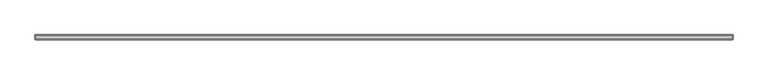
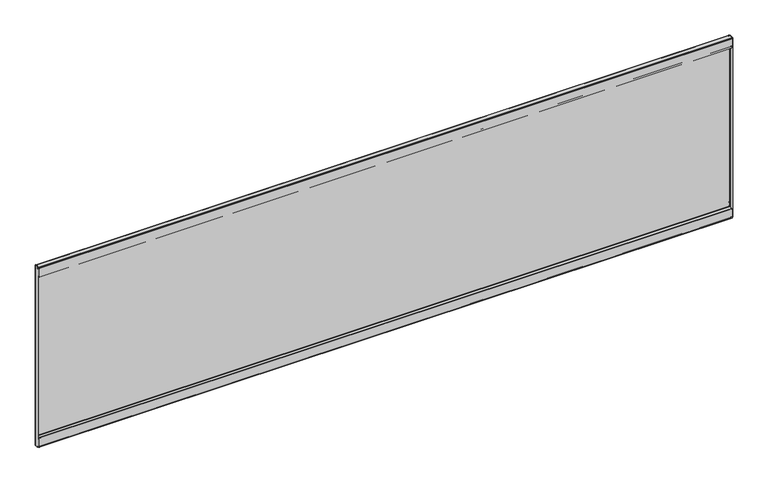
"""IFC4 building model written with IfcOpenShell, lengths in millimetres: furniture geometry."""

from ifc_helpers import new_model, si_unit, origin, place, context, project, spatial, triangles, source, transform, mapped, element, save


def furniture_dc20cf0f(model_context):
    return source(origin(), model_context, "Body", "Tessellation", [
        triangles([(36.8807998, -16.4083996, 220.7005912), (36.8807998, -15.6717996, 220.7005912), (36.1188005, -15.6717996, 220.4964249), (36.1188005, -16.4083996, 220.4964249), (35.5609767, -15.6717996, 219.9385919), (35.5609767, -16.4083996, 219.9385919), (35.356799, -15.6717996, 219.1765926), (35.356799, -16.4083996, 219.1765926), (35.356799, -16.4083996, 208.7372044), (35.356799, -15.6717996, 208.7372044), (35.356799, -15.8691713, 208.0006033), (35.356799, -16.5070854, 208.3688948), (35.356799, -16.4083996, 207.4613739), (35.356799, -16.7767001, 208.0992891), (35.356799, -17.1449995, 208.0006033), (35.356799, -17.1449995, 207.2640022), (1793.4940155, -15.6717996, 208.7372044), (1793.4940155, -15.8691713, 208.0006033), (1793.4940155, -16.4083996, 207.4613739), (1793.4940155, -17.1449995, 207.2640022), (1791.9699806, -16.4083996, 220.7005912), (1791.9699806, -15.6717996, 220.7005912), (1792.7319981, -15.6717996, 220.4964249), (1792.7319981, -16.4083996, 220.4964249), (1793.2898129, -15.6717996, 219.9385919), (1793.2898129, -16.4083996, 219.9385919), (1793.4940155, -15.6717996, 219.1765926), (1793.4940155, -16.4083996, 219.1765926), (1793.4940155, -16.4083996, 208.7372044), (1793.4940155, -16.5070854, 208.3688948), (1793.4940155, -16.7767001, 208.0992891), (1793.4940155, -17.1449995, 208.0006033), (35.356799, -25.4253989, 208.0006033), (35.356799, -25.4253989, 207.2640022), (35.356799, -25.7936995, 207.1653163), (35.356799, -26.162, 207.8032316), (35.356799, -26.0633142, 206.8956925), (35.356799, -26.7012295, 207.2640022), (35.356799, -26.162, 206.5274011), (35.356799, -26.8985989, 206.5274011), (1793.4940155, -25.4253989, 207.2640022), (1793.4940155, -25.7936995, 207.1653163), (1793.4940155, -26.0633142, 206.8956925), (1793.4940155, -26.162, 206.5274011), (1793.4940155, -25.4253989, 208.0006033), (1793.4940155, -26.162, 207.8032316), (1793.4940155, -26.7012295, 207.2640022), (1793.4940155, -26.8985989, 206.5274011), (35.356799, -26.162, 186.613791), (35.356799, -26.8985989, 186.613791), (35.356799, -26.7012295, 185.877208), (35.356799, -26.0633142, 186.2454995), (35.356799, -26.162, 185.3379786), (35.356799, -25.7936995, 185.9758939), (35.356799, -25.4253989, 185.1406069), (35.356799, -25.4253989, 185.877208), (1793.4940155, -26.8985989, 186.613791), (1793.4940155, -26.7012295, 185.877208), (1793.4940155, -26.162, 185.3379786), (1793.4940155, -25.4253989, 185.1406069), (1793.4940155, -26.162, 186.613791), (1793.4940155, -26.0633142, 186.2454995), (1793.4940155, -25.7936995, 185.9758939), (1793.4940155, -25.4253989, 185.877208), (35.356799, -16.4083996, 186.613791), (35.356799, -15.6717996, 186.613791), (35.356799, -15.8691713, 185.877208), (35.356799, -16.5070854, 186.2454995), (35.356799, -16.4083996, 185.3379786), (35.356799, -16.7767001, 185.9758939), (35.356799, -17.1449995, 185.877208), (35.356799, -17.1449995, 185.1406069), (1793.4940155, -15.6717996, 186.613791), (1793.4940155, -15.8691713, 185.877208), (1793.4940155, -16.4083996, 185.3379786), (1793.4940155, -17.1449995, 185.1406069), (1793.4940155, -16.4083996, 186.613791), (1793.4940155, -16.5070854, 186.2454995), (1793.4940155, -16.7767001, 185.9758939), (1793.4940155, -17.1449995, 185.877208), (35.356799, -16.4083996, 193.1416084), (35.356799, -15.6717996, 193.1416084), (35.5609767, -15.6717996, 193.9036077), (35.5609767, -16.4083996, 193.9036077), (36.1188005, -15.6717996, 194.4614224), (36.1188005, -16.4083996, 194.4614224), (36.8807998, -15.6717996, 194.6656069), (36.8807998, -16.4083996, 194.6656069), (1793.4940155, -16.4083996, 193.1416084), (1793.2898129, -16.4083996, 193.9036077), (1792.7319981, -16.4083996, 194.4614224), (1791.9699806, -16.4083996, 194.6656069), (1793.4940155, -15.6717996, 193.1416084), (1793.2898129, -15.6717996, 193.9036077), (1792.7319981, -15.6717996, 194.4614224), (1791.9699806, -15.6717996, 194.6656069), (36.1188005, -16.4083996, 630.9115625), (36.1188005, -15.6717996, 630.9115625), (36.8807998, -15.6717996, 630.7074326), (36.8807998, -16.4083996, 630.7074326), (35.5609767, -16.4083996, 631.4693773), (35.5609767, -15.6717996, 631.4693773), (35.356799, -16.4083996, 632.2313948), (35.356799, -15.6717996, 632.2313948), (35.356799, -16.5070854, 643.0390926), (35.356799, -15.8691713, 643.4073841), (35.356799, -16.4083996, 642.6708012), (35.356799, -15.6717996, 642.6708012), (35.356799, -16.7767001, 643.3086983), (35.356799, -16.4083996, 643.9465954), (35.356799, -17.1449995, 643.4073841), (35.356799, -17.1449995, 644.1439671), (1793.4940155, -15.8691713, 643.4073841), (1793.4940155, -15.6717996, 642.6708012), (1793.4940155, -16.4083996, 643.9465954), (1793.4940155, -17.1449995, 644.1439671), (1792.7319981, -16.4083996, 630.9115625), (1792.7319981, -15.6717996, 630.9115625), (1791.9699806, -15.6717996, 630.7074326), (1791.9699806, -16.4083996, 630.7074326), (1793.2898129, -16.4083996, 631.4693773), (1793.2898129, -15.6717996, 631.4693773), (1793.4940155, -16.4083996, 632.2313948), (1793.4940155, -15.6717996, 632.2313948), (1793.4940155, -16.5070854, 643.0390926), (1793.4940155, -16.4083996, 642.6708012), (1793.4940155, -16.7767001, 643.3086983), (1793.4940155, -17.1449995, 643.4073841), (35.356799, -26.162, 643.6047558), (35.356799, -25.7936995, 644.2426529), (35.356799, -25.4253989, 644.1439671), (35.356799, -25.4253989, 643.4073841), (35.356799, -26.7012295, 644.1439671), (35.356799, -26.0633142, 644.5123312), (35.356799, -26.8985989, 644.8806227), (35.356799, -26.162, 644.8806227), (1793.4940155, -25.7936995, 644.2426529), (1793.4940155, -25.4253989, 644.1439671), (1793.4940155, -26.0633142, 644.5123312), (1793.4940155, -26.162, 644.8806227), (1793.4940155, -26.162, 643.6047558), (1793.4940155, -25.4253989, 643.4073841), (1793.4940155, -26.7012295, 644.1439671), (1793.4940155, -26.8985989, 644.8806227), (35.356799, -26.0633142, 665.1625242), (35.356799, -26.7012295, 665.5308157), (35.356799, -26.162, 664.7942327), (35.356799, -26.8985989, 664.7942327), (35.356799, -25.7936995, 665.4321299), (35.356799, -26.162, 666.070027), (35.356799, -25.4253989, 665.5308157), (35.356799, -25.4253989, 666.2673986), (1793.4940155, -26.7012295, 665.5308157), (1793.4940155, -26.8985989, 664.7942327), (1793.4940155, -26.162, 666.070027), (1793.4940155, -25.4253989, 666.2673986), (1793.4940155, -26.0633142, 665.1625242), (1793.4940155, -26.162, 664.7942327), (1793.4940155, -25.7936995, 665.4321299), (1793.4940155, -25.4253989, 665.5308157), (35.356799, -16.5070854, 665.1625242), (35.356799, -15.8691713, 665.5308157), (35.356799, -16.4083996, 664.7942327), (35.356799, -15.6717996, 664.7942327), (35.356799, -16.7767001, 665.4321299), (35.356799, -16.4083996, 666.070027), (35.356799, -17.1449995, 665.5308157), (35.356799, -17.1449995, 666.2673986), (1793.4940155, -15.8691713, 665.5308157), (1793.4940155, -15.6717996, 664.7942327), (1793.4940155, -16.4083996, 666.070027), (1793.4940155, -17.1449995, 666.2673986), (1793.4940155, -16.5070854, 665.1625242), (1793.4940155, -16.4083996, 664.7942327), (1793.4940155, -16.7767001, 665.4321299), (1793.4940155, -17.1449995, 665.5308157), (35.5609767, -16.4083996, 657.5044161), (35.5609767, -15.6717996, 657.5044161), (35.356799, -15.6717996, 658.2664335), (35.356799, -16.4083996, 658.2664335), (36.1188005, -16.4083996, 656.9466013), (36.1188005, -15.6717996, 656.9466013), (36.8807998, -16.4083996, 656.7423986), (36.8807998, -15.6717996, 656.7423986), (1793.2898129, -16.4083996, 657.5044161), (1793.4940155, -16.4083996, 658.2664335), (1792.7319981, -16.4083996, 656.9466013), (1791.9699806, -16.4083996, 656.7423986), (1793.2898129, -15.6717996, 657.5044161), (1793.4940155, -15.6717996, 658.2664335), (1792.7319981, -15.6717996, 656.9466013), (1791.9699806, -15.6717996, 656.7423986), (33.2994005, -24.4602007, 667.0039816), (34.0359993, -24.4602007, 667.0039816), (33.2994005, -26.0476992, 666.5786442), (34.0359993, -26.0476992, 666.5786442), (33.2994005, -27.2098308, 665.4165058), (34.0359993, -27.2098308, 665.4165058), (33.2994005, -27.6352, 663.82903), (34.0359993, -27.6352, 663.82903), (34.0359993, -16.4338, 667.0039816), (33.2994005, -16.4338, 667.0039816), (34.1380893, -16.0528004, 667.0039816), (33.500174, -15.6844998, 667.0039816), (34.416999, -15.7738884, 667.0039816), (34.0487007, -15.1359743, 667.0039816), (34.7980009, -14.9351996, 667.0039816), (34.7980009, -15.6717996, 667.0039816), (34.7980009, -16.4338, 667.0039816), (34.7980009, -16.4338, 666.2673986), (34.7980009, -27.0763996, 667.0039816), (34.7980009, -27.0763996, 666.2673986), (34.7980009, -27.4573992, 666.1652973), (34.7980009, -27.8256998, 666.8031944), (34.7980009, -27.7363112, 665.8863899), (34.7980009, -28.3742265, 666.2546814), (34.7980009, -27.8383989, 665.5053812), (34.7980009, -28.575, 665.5053812), (34.7980009, -28.575, 644.77903), (34.7980009, -27.8383989, 644.77903), (35.2233701, -27.8383989, 643.1914816), (35.2233701, -28.575, 643.1914816), (36.3854994, -27.8383989, 642.0293432), (36.3854994, -28.575, 642.0293432), (37.9730001, -27.8383989, 641.6040058), (37.9730001, -28.575, 641.6040058), (1793.4940155, -27.8383989, 644.77903), (1793.0686054, -27.8383989, 643.1914816), (1791.9064671, -27.8383989, 642.0293432), (1790.3190639, -27.8383989, 641.6040058), (1793.4940155, -28.575, 644.77903), (1793.0686054, -28.575, 643.1914816), (1791.9064671, -28.575, 642.0293432), (1790.3190639, -28.575, 641.6040058), (1793.4940155, -27.0763996, 666.2673986), (1793.4940155, -27.4573992, 666.1652973), (1793.4940155, -27.7363112, 665.8863899), (1793.4940155, -27.8383989, 665.5053812), (1793.4940155, -27.0763996, 667.0039816), (1793.4940155, -27.8256998, 666.8031944), (1793.4940155, -28.3742265, 666.2546814), (1793.4940155, -28.575, 665.5053812), (1793.4940155, -16.4338, 666.2673986), (1793.4940155, -16.4338, 667.0039816), (1793.4940155, -16.0676296, 666.9585629), (1793.4940155, -16.2476116, 666.2442896), (1793.4940155, -15.9498418, 666.0940081), (1793.4940155, -15.482014, 666.6629414), (1793.4940155, -15.7448079, 665.8308701), (1793.4940155, -15.0787819, 666.1455311), (1793.4940155, -15.6717996, 665.5053812), (1793.4940155, -14.9351996, 665.5053812), (34.7980009, -16.0676296, 666.9585629), (34.7980009, -16.2476116, 666.2442896), (34.7980009, -15.9498418, 666.0940081), (34.7980009, -15.482014, 666.6629414), (34.7980009, -15.7448079, 665.8308701), (34.7980009, -15.0787819, 666.1455311), (34.7980009, -15.6717996, 665.5053812), (34.7980009, -14.9351996, 665.5053812), (1793.4940155, -15.6717996, 185.9026062), (34.7980009, -15.6717996, 185.9026062), (1793.4940155, -14.9351996, 185.9026062), (34.7980009, -14.9351996, 185.9026062), (1793.4940155, -14.9351996, 667.0039816), (1793.4940155, -15.6717996, 667.0039816), (1794.9926159, -16.4338, 667.0039816), (1794.2560329, -16.4338, 667.0039816), (1794.1538589, -16.0528004, 667.0039816), (1794.7917561, -15.6844998, 667.0039816), (1793.8749516, -15.7738884, 667.0039816), (1794.243243, -15.1359743, 667.0039816), (1794.2560329, -16.4338, 184.4040058), (1794.1538589, -16.0528004, 184.4040058), (1793.8749516, -15.7738884, 184.4040058), (1793.4940155, -15.6717996, 184.4040058), (1794.9926159, -16.4338, 184.4040058), (1794.7917561, -15.6844998, 184.4040058), (1794.243243, -15.1359743, 184.4040058), (1793.4940155, -14.9351996, 184.4040058), (1793.4940155, -16.0861389, 184.4448827), (1793.4940155, -16.2570235, 185.1613905), (1793.4940155, -15.9548492, 185.309928), (1793.4940155, -15.4918619, 184.7370342), (1793.4940155, -15.7461932, 185.5742105), (1793.4940155, -15.081507, 185.2567699), (34.7980009, -16.2570235, 185.1613905), (34.7980009, -15.9548492, 185.309928), (34.7980009, -15.7461932, 185.5742105), (34.7980009, -15.081507, 185.2567699), (34.7980009, -15.4918619, 184.7370342), (34.7980009, -16.0861389, 184.4448827), (1793.4940155, -16.4338, 184.4040058), (34.7980009, -16.4338, 184.4040058), (34.7980009, -16.4338, 185.1406069), (1793.4940155, -16.4338, 185.1406069), (1793.4940155, -27.0763996, 185.1406069), (1793.4940155, -27.0763996, 184.4040058), (34.7980009, -27.0763996, 185.1406069), (34.7980009, -27.0763996, 184.4040058), (34.7980009, -27.8383989, 185.9026062), (34.7980009, -28.575, 185.9026062), (34.7980009, -28.3742265, 185.153306), (34.7980009, -27.7363112, 185.5215975), (34.7980009, -27.8256998, 184.6047748), (34.7980009, -27.4573992, 185.2426901), (1793.4940155, -27.8383989, 185.9026062), (1793.4940155, -27.7363112, 185.5215975), (1793.4940155, -27.4573992, 185.2426901), (1793.4940155, -28.575, 185.9026062), (1793.4940155, -28.3742265, 185.153306), (1793.4940155, -27.8256998, 184.6047748), (1794.9926159, -24.4602007, 184.4040058), (1794.2560329, -24.4602007, 184.4040058), (1794.9926159, -26.0476992, 184.8293614), (1794.2560329, -26.0476992, 184.8293614), (1794.9926159, -27.2098308, 185.9914998), (1794.2560329, -27.2098308, 185.9914998), (1794.9926159, -27.6352, 187.5789937), (1794.2560329, -27.6352, 187.5789937), (1794.2560329, -27.6352, 663.82903), (1794.2560329, -27.2098308, 665.4165058), (1794.2560329, -26.0476992, 666.5786442), (1794.2560329, -24.4602007, 667.0039816), (1794.9926159, -27.6352, 663.82903), (1794.9926159, -27.2098308, 665.4165058), (1794.9926159, -26.0476992, 666.5786442), (1794.9926159, -24.4602007, 667.0039816), (1793.4940155, -28.575, 206.6289937), (1793.4940155, -27.8383989, 206.6289937), (1790.3190639, -27.8383989, 209.8039998), (37.9730001, -27.8383989, 209.8039998), (37.9730001, -28.575, 209.8039998), (1790.3190639, -28.575, 209.8039998), (36.3854994, -27.8383989, 209.378626), (1791.9064671, -27.8383989, 209.378626), (35.2233701, -27.8383989, 208.2165058), (1793.0686054, -27.8383989, 208.2165058), (34.7980009, -27.8383989, 206.6289937), (36.3854994, -28.575, 209.378626), (35.2233701, -28.575, 208.2165058), (34.7980009, -28.575, 206.6289937), (1791.9064671, -28.575, 209.378626), (1793.0686054, -28.575, 208.2165058), (34.0359993, -27.6352, 187.5789937), (34.0359993, -27.2098308, 185.9914998), (34.0359993, -26.0476992, 184.8293614), (34.0359993, -24.4602007, 184.4040058), (33.2994005, -27.6352, 187.5789937), (33.2994005, -27.2098308, 185.9914998), (33.2994005, -26.0476992, 184.8293614), (33.2994005, -24.4602007, 184.4040058), (34.7980009, -15.6717996, 184.4040058), (34.416999, -15.7738884, 184.4040058), (34.1380893, -16.0528004, 184.4040058), (34.0359993, -16.4338, 184.4040058), (34.7980009, -14.9351996, 184.4040058), (34.0487007, -15.1359743, 184.4040058), (33.500174, -15.6844998, 184.4040058), (33.2994005, -16.4338, 184.4040058)], [[1, 2, 3], [1, 3, 4], [4, 3, 5], [4, 5, 6], [6, 5, 7], [6, 7, 8], [9, 10, 11], [9, 11, 12], [12, 11, 13], [12, 13, 14], [14, 13, 15], [13, 16, 15], [10, 17, 18], [10, 18, 11], [11, 18, 19], [11, 19, 13], [13, 19, 20], [13, 20, 16], [21, 22, 23], [21, 23, 24], [24, 23, 25], [24, 25, 26], [26, 25, 27], [26, 27, 28], [29, 17, 18], [29, 18, 30], [30, 18, 19], [30, 19, 31], [31, 19, 32], [19, 20, 32], [29, 9, 12], [29, 12, 30], [30, 12, 14], [30, 14, 31], [31, 14, 15], [31, 15, 32], [33, 34, 35], [33, 35, 36], [36, 35, 37], [36, 37, 38], [38, 37, 39], [38, 39, 40], [34, 41, 42], [34, 42, 35], [35, 42, 43], [35, 43, 37], [37, 43, 44], [37, 44, 39], [41, 45, 46], [41, 46, 42], [42, 46, 47], [42, 47, 43], [43, 47, 44], [47, 48, 44], [45, 33, 36], [45, 36, 46], [46, 36, 38], [46, 38, 47], [47, 38, 40], [47, 40, 48], [49, 50, 51], [49, 51, 52], [52, 51, 53], [52, 53, 54], [54, 53, 55], [54, 55, 56], [50, 57, 58], [50, 58, 51], [51, 58, 59], [51, 59, 53], [53, 59, 60], [53, 60, 55], [57, 61, 58], [61, 62, 58], [58, 62, 59], [62, 63, 59], [59, 63, 64], [59, 64, 60], [61, 49, 52], [61, 52, 62], [62, 52, 54], [62, 54, 63], [63, 54, 56], [63, 56, 64], [65, 66, 67], [65, 67, 68], [68, 67, 69], [68, 69, 70], [70, 69, 71], [69, 72, 71], [66, 73, 74], [66, 74, 67], [67, 74, 75], [67, 75, 69], [69, 75, 76], [69, 76, 72], [73, 77, 74], [77, 78, 74], [74, 78, 75], [78, 79, 75], [75, 79, 80], [75, 80, 76], [77, 65, 68], [77, 68, 78], [78, 68, 70], [78, 70, 79], [79, 70, 71], [79, 71, 80], [1, 21, 24], [1, 24, 4], [4, 24, 26], [4, 26, 6], [6, 26, 28], [6, 28, 8], [22, 2, 3], [22, 3, 23], [23, 3, 5], [23, 5, 25], [25, 5, 7], [25, 7, 27], [81, 82, 83], [81, 83, 84], [84, 83, 85], [84, 85, 86], [86, 85, 87], [86, 87, 88], [81, 89, 90], [81, 90, 84], [84, 90, 91], [84, 91, 86], [86, 91, 92], [86, 92, 88], [89, 93, 94], [89, 94, 90], [90, 94, 95], [90, 95, 91], [91, 95, 96], [91, 96, 92], [93, 82, 83], [93, 83, 94], [94, 83, 85], [94, 85, 95], [95, 85, 87], [95, 87, 96], [27, 17, 10], [27, 10, 7], [82, 66, 73], [82, 73, 93], [29, 17, 28], [17, 27, 28], [28, 29, 9], [28, 9, 8], [8, 7, 10], [8, 10, 9], [15, 16, 33], [16, 34, 33], [33, 45, 32], [33, 32, 15], [40, 39, 49], [40, 49, 50], [50, 40, 48], [50, 48, 57], [20, 32, 45], [20, 45, 41], [44, 48, 57], [44, 57, 61], [64, 60, 76], [64, 76, 80], [77, 73, 93], [77, 93, 89], [92, 96, 87], [92, 87, 88], [20, 41, 34], [20, 34, 16], [49, 39, 44], [49, 44, 61], [64, 80, 71], [64, 71, 56], [76, 60, 55], [76, 55, 72], [81, 82, 66], [81, 66, 65], [71, 72, 56], [72, 55, 56], [97, 98, 99], [97, 99, 100], [101, 102, 98], [101, 98, 97], [103, 104, 102], [103, 102, 101], [105, 106, 107], [106, 108, 107], [109, 110, 105], [110, 106, 105], [111, 112, 110], [111, 110, 109], [106, 113, 114], [106, 114, 108], [110, 115, 113], [110, 113, 106], [112, 116, 115], [112, 115, 110], [117, 118, 119], [117, 119, 120], [121, 122, 118], [121, 118, 117], [123, 124, 122], [123, 122, 121], [125, 113, 126], [113, 114, 126], [127, 115, 125], [115, 113, 125], [128, 116, 115], [128, 115, 127], [125, 105, 107], [125, 107, 126], [127, 109, 105], [127, 105, 125], [128, 111, 109], [128, 109, 127], [129, 130, 131], [129, 131, 132], [133, 134, 129], [134, 130, 129], [135, 136, 133], [136, 134, 133], [130, 137, 138], [130, 138, 131], [134, 139, 137], [134, 137, 130], [136, 140, 139], [136, 139, 134], [137, 141, 142], [137, 142, 138], [139, 143, 141], [139, 141, 137], [140, 144, 143], [140, 143, 139], [141, 129, 132], [141, 132, 142], [143, 133, 129], [143, 129, 141], [144, 135, 133], [144, 133, 143], [145, 146, 147], [146, 148, 147], [149, 150, 145], [150, 146, 145], [151, 152, 150], [151, 150, 149], [146, 153, 154], [146, 154, 148], [150, 155, 153], [150, 153, 146], [152, 156, 155], [152, 155, 150], [153, 157, 158], [153, 158, 154], [155, 159, 157], [155, 157, 153], [156, 160, 159], [156, 159, 155], [157, 145, 147], [157, 147, 158], [159, 149, 145], [159, 145, 157], [160, 151, 149], [160, 149, 159], [161, 162, 163], [162, 164, 163], [165, 166, 161], [166, 162, 161], [167, 168, 166], [167, 166, 165], [162, 169, 170], [162, 170, 164], [166, 171, 169], [166, 169, 162], [168, 172, 171], [168, 171, 166], [169, 173, 174], [169, 174, 170], [171, 175, 173], [171, 173, 169], [172, 176, 175], [172, 175, 171], [173, 161, 163], [173, 163, 174], [175, 165, 161], [175, 161, 173], [176, 167, 165], [176, 165, 175], [97, 117, 120], [97, 120, 100], [101, 121, 117], [101, 117, 97], [103, 123, 121], [103, 121, 101], [118, 98, 99], [118, 99, 119], [122, 102, 98], [122, 98, 118], [124, 104, 102], [124, 102, 122], [177, 178, 179], [177, 179, 180], [181, 182, 178], [181, 178, 177], [183, 184, 182], [183, 182, 181], [177, 185, 186], [177, 186, 180], [181, 187, 185], [181, 185, 177], [183, 188, 187], [183, 187, 181], [185, 189, 190], [185, 190, 186], [187, 191, 189], [187, 189, 185], [188, 192, 191], [188, 191, 187], [189, 178, 179], [189, 179, 190], [191, 182, 178], [191, 178, 189], [192, 184, 182], [192, 182, 191], [104, 108, 114], [104, 114, 124], [190, 170, 164], [190, 164, 179], [123, 124, 114], [123, 114, 126], [103, 107, 126], [103, 126, 123], [107, 108, 104], [107, 104, 103], [132, 131, 112], [132, 112, 111], [111, 128, 142], [111, 142, 132], [148, 147, 136], [148, 136, 135], [154, 144, 135], [154, 135, 148], [138, 142, 128], [138, 128, 116], [158, 154, 144], [158, 144, 140], [176, 172, 156], [176, 156, 160], [186, 190, 170], [186, 170, 174], [183, 184, 192], [183, 192, 188], [112, 131, 138], [112, 138, 116], [158, 140, 136], [158, 136, 147], [151, 167, 176], [151, 176, 160], [168, 152, 156], [168, 156, 172], [163, 164, 179], [163, 179, 180], [151, 152, 168], [151, 168, 167], [193, 194, 195], [194, 196, 195], [195, 196, 197], [196, 198, 197], [197, 198, 199], [198, 200, 199], [201, 202, 203], [202, 204, 203], [203, 204, 205], [204, 206, 205], [205, 206, 207], [205, 207, 208], [201, 202, 194], [202, 193, 194], [209, 210, 211], [210, 212, 211], [211, 212, 213], [211, 213, 214], [214, 213, 215], [214, 215, 216], [216, 215, 217], [216, 217, 218], [219, 220, 221], [219, 221, 222], [222, 221, 223], [222, 223, 224], [224, 223, 225], [224, 225, 226], [220, 227, 228], [220, 228, 221], [221, 228, 229], [221, 229, 223], [223, 229, 230], [223, 230, 225], [227, 231, 228], [231, 232, 228], [228, 232, 229], [232, 233, 229], [229, 233, 230], [233, 234, 230], [231, 219, 222], [231, 222, 232], [232, 222, 224], [232, 224, 233], [233, 224, 226], [233, 226, 234], [225, 226, 234], [225, 234, 230], [212, 235, 236], [212, 236, 213], [213, 236, 237], [213, 237, 215], [215, 237, 238], [215, 238, 217], [235, 239, 240], [235, 240, 236], [236, 240, 237], [240, 241, 237], [237, 241, 238], [241, 242, 238], [239, 211, 214], [239, 214, 240], [240, 214, 216], [240, 216, 241], [241, 216, 218], [241, 218, 242], [210, 212, 235], [210, 235, 243], [243, 244, 239], [243, 239, 235], [239, 244, 209], [239, 209, 211], [218, 217, 220], [218, 220, 219], [220, 227, 238], [220, 238, 217], [218, 219, 231], [218, 231, 242], [242, 238, 227], [242, 227, 231], [245, 246, 247], [245, 247, 248], [248, 247, 249], [248, 249, 250], [250, 249, 251], [250, 251, 252], [245, 244, 246], [244, 243, 246], [244, 245, 253], [244, 253, 209], [209, 210, 254], [209, 254, 253], [253, 254, 255], [253, 255, 256], [256, 255, 257], [256, 257, 258], [258, 257, 259], [258, 259, 260], [259, 251, 249], [259, 249, 257], [257, 249, 247], [257, 247, 255], [255, 247, 246], [255, 246, 254], [252, 260, 258], [252, 258, 250], [250, 258, 256], [250, 256, 248], [248, 256, 253], [248, 253, 245], [259, 251, 261], [259, 261, 262], [260, 252, 263], [260, 263, 264], [259, 260, 264], [259, 264, 262], [252, 251, 261], [252, 261, 263], [251, 252, 265], [251, 265, 266], [267, 268, 269], [267, 269, 270], [270, 269, 271], [270, 271, 272], [272, 271, 266], [272, 266, 265], [268, 273, 274], [268, 274, 269], [269, 274, 275], [269, 275, 271], [271, 275, 276], [271, 276, 266], [277, 273, 274], [277, 274, 278], [278, 274, 275], [278, 275, 279], [279, 275, 276], [279, 276, 280], [277, 267, 270], [277, 270, 278], [278, 270, 272], [278, 272, 279], [279, 272, 265], [279, 265, 280], [261, 263, 280], [261, 280, 276], [281, 282, 283], [281, 283, 284], [284, 283, 285], [284, 285, 286], [286, 285, 261], [286, 261, 263], [282, 287, 288], [282, 288, 283], [283, 288, 289], [283, 289, 285], [285, 289, 262], [285, 262, 261], [262, 264, 290], [262, 290, 289], [289, 290, 291], [289, 291, 288], [288, 291, 292], [288, 292, 287], [264, 263, 286], [264, 286, 290], [290, 286, 284], [290, 284, 291], [291, 284, 281], [291, 281, 292], [281, 293, 294], [281, 294, 292], [295, 287, 294], [287, 292, 294], [295, 287, 282], [295, 282, 296], [282, 296, 281], [296, 293, 281], [297, 298, 293], [297, 293, 296], [296, 295, 297], [295, 299, 297], [293, 294, 298], [294, 300, 298], [301, 302, 303], [301, 303, 304], [304, 303, 305], [304, 305, 306], [306, 305, 300], [306, 300, 299], [301, 307, 308], [301, 308, 304], [304, 308, 309], [304, 309, 306], [306, 309, 297], [306, 297, 299], [310, 302, 303], [310, 303, 311], [311, 303, 305], [311, 305, 312], [312, 305, 300], [312, 300, 298], [310, 307, 311], [307, 308, 311], [311, 308, 312], [308, 309, 312], [312, 309, 297], [312, 297, 298], [313, 314, 315], [314, 316, 315], [315, 316, 317], [316, 318, 317], [317, 318, 319], [318, 320, 319], [320, 321, 322], [320, 322, 318], [318, 322, 323], [318, 323, 316], [316, 323, 324], [316, 324, 314], [321, 325, 326], [321, 326, 322], [322, 326, 327], [322, 327, 323], [323, 327, 328], [323, 328, 324], [320, 319, 325], [320, 325, 321], [268, 324, 273], [324, 314, 273], [273, 314, 313], [273, 313, 277], [277, 313, 328], [277, 328, 267], [267, 268, 328], [268, 324, 328], [310, 307, 329], [307, 330, 329], [331, 332, 333], [331, 333, 334], [331, 332, 335], [331, 335, 336], [336, 335, 337], [336, 337, 338], [338, 337, 339], [338, 339, 330], [332, 333, 335], [333, 340, 335], [335, 340, 337], [340, 341, 337], [337, 341, 339], [341, 342, 339], [333, 334, 343], [333, 343, 340], [340, 343, 344], [340, 344, 341], [341, 344, 329], [341, 329, 342], [334, 331, 336], [334, 336, 343], [343, 336, 338], [343, 338, 344], [344, 338, 330], [344, 330, 329], [200, 345, 346], [200, 346, 198], [198, 346, 347], [198, 347, 196], [196, 347, 348], [196, 348, 194], [345, 349, 350], [345, 350, 346], [346, 350, 351], [346, 351, 347], [347, 351, 352], [347, 352, 348], [349, 199, 197], [349, 197, 350], [350, 197, 195], [350, 195, 351], [351, 195, 193], [351, 193, 352], [200, 199, 349], [200, 349, 345], [208, 207, 260], [208, 260, 259], [208, 353, 354], [208, 354, 205], [205, 354, 355], [205, 355, 203], [203, 355, 356], [203, 356, 201], [353, 357, 358], [353, 358, 354], [354, 358, 359], [354, 359, 355], [355, 359, 356], [359, 360, 356], [262, 264, 357], [262, 357, 353], [357, 207, 206], [357, 206, 358], [358, 206, 204], [358, 204, 359], [359, 204, 202], [359, 202, 360], [201, 194, 356], [194, 348, 356], [202, 193, 360], [193, 352, 360], [307, 330, 339], [307, 339, 301], [301, 302, 342], [301, 342, 339], [310, 329, 342], [310, 342, 302], [319, 325, 326], [319, 326, 317], [326, 317, 315], [326, 315, 327], [315, 327, 328], [315, 328, 313]], closed=False),
    ])


if __name__ == "__main__":
    model = new_model("IFC4")
    model_context = context("Model", 3, world=origin())
    ifc_project = project(units=[si_unit("LENGTHUNIT", "METRE", prefix="MILLI")], contexts=[model_context])
    site = spatial("IfcSite", under=ifc_project)
    building = spatial("IfcBuilding", under=site)
    placement = place(None, origin())
    furniture_shape = furniture_dc20cf0f(model_context)
    element("IfcFurniture", 1, at=placement, inside=building, context=model_context, shape_type="MappedRepresentation", body=[
        mapped(furniture_shape, transform((0.0, 0.0, 0.0), x_axis=(1.0, 0.0, 0.0), y_axis=(0.0, 1.0, 0.0), z_axis=(0.0, 0.0, 1.0))),
    ])
    save(model, "model.ifc")
